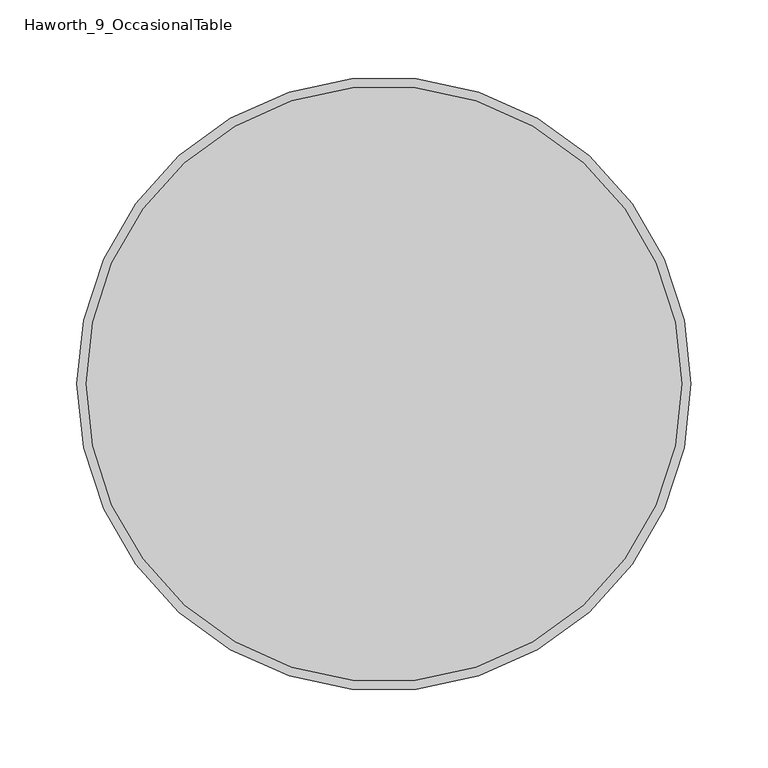
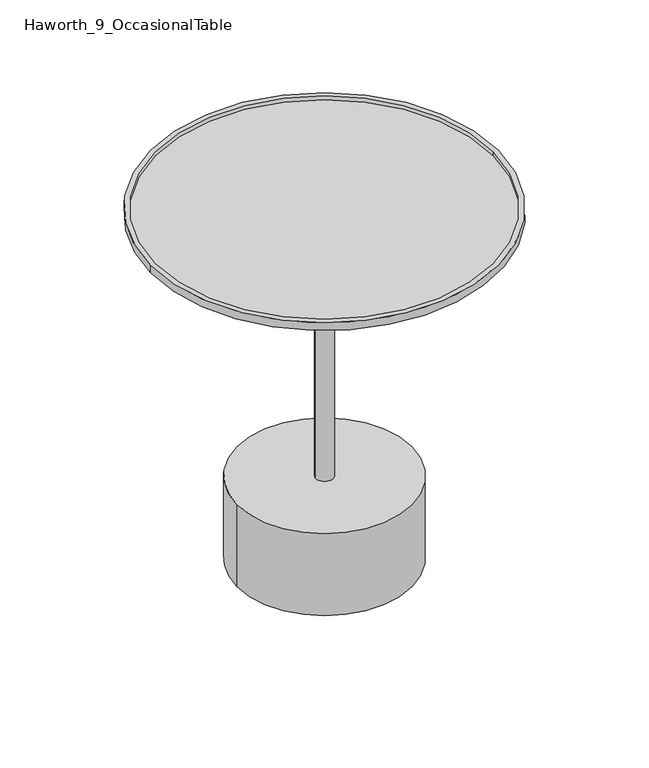
"""IFC4 building model written with IfcOpenShell, lengths in millimetres: furniture geometry, Haworth_9_OccasionalTable."""

from ifc_helpers import new_model, si_unit, point, frame, frame_2d, origin, origin_with_axes, place, context, project, spatial, polyline, circle_curve, ellipse_curve, trimmed, segment, composite_curve, outline, extrude, source, transform, mapped, element, save
from ifc_brep_helpers import plane_surface, cylinder_surface, revolved_surface, advanced_brep


def haworth_9_occasionaltable_6362c3d7(model_context):
    return source(origin(), model_context, "Body", "SolidModel", [
        advanced_brep(
        [(-311.4894208, -292.1, 407.4252728), (0.5988445, -292.1, 407.4252728), (43.9447118, -292.1, 418.1411912), (-354.8352882, -292.1, 418.1411912), (37.9917249, -292.1, 422.8110299), (-348.8823012, -292.1, 422.8110299), (-354.8352882, -292.1, 427.4441817), (43.9447118, -292.1, 427.4441817), (-348.8823012, -292.1, 427.4441817), (37.9917249, -292.1, 427.4441817)],
        [
            (0, 1, circle_curve(frame((-155.4452882, -292.1, 407.4252728), z_axis=(0.0, 0.0, -1.0), x_axis=(1.0, 0.0, 0.0)), 156.0441327)),
            (1, 0, circle_curve(frame((-155.4452882, -292.1, 407.4252728), z_axis=(0.0, 0.0, -1.0), x_axis=(-1.0, 0.0, 0.0)), 156.0441327)),
            (1, 2),
            (2, 3, circle_curve(frame((-155.4452882, -292.1, 418.1411912), z_axis=(0.0, 0.0, -1.0), x_axis=(-1.0, 0.0, 0.0)), 199.39)),
            (3, 0),
            (3, 2, circle_curve(frame((-155.4452882, -292.1, 418.1411912), z_axis=(0.0, 0.0, -1.0), x_axis=(1.0, 0.0, 0.0)), 199.39)),
            (4, 5, circle_curve(frame((-155.4452882, -292.1, 422.8110299), z_axis=(0.0, 0.0, 1.0), x_axis=(1.0, 0.0, 0.0)), 193.437013)),
            (5, 4, circle_curve(frame((-155.4452882, -292.1, 422.8110299), z_axis=(0.0, 0.0, 1.0), x_axis=(1.0, 0.0, 0.0)), 193.437013)),
            (6, 7, circle_curve(frame((-155.4452882, -292.1, 427.4441817), z_axis=(0.0, 0.0, 1.0), x_axis=(1.0, 0.0, 0.0)), 199.39)),
            (7, 6, circle_curve(frame((-155.4452882, -292.1, 427.4441817), z_axis=(0.0, 0.0, 1.0), x_axis=(1.0, 0.0, 0.0)), 199.39)),
            (8, 9, circle_curve(frame((-155.4452882, -292.1, 427.4441817), z_axis=(0.0, 0.0, -1.0), x_axis=(1.0, 0.0, 0.0)), 193.437013)),
            (9, 8, circle_curve(frame((-155.4452882, -292.1, 427.4441817), z_axis=(0.0, 0.0, -1.0), x_axis=(1.0, 0.0, 0.0)), 193.437013)),
            (6, 3),
            (2, 7),
            (8, 5),
            (4, 9),
        ],
        [
            plane_surface(frame((-155.4452882, -292.1, 407.4252728), z_axis=(0.0, 0.0, -1.0), x_axis=(0.0, -1.0, 0.0))),
            revolved_surface(polyline([(0.5988444146120457, -292.1, 407.4252728), (43.94471179999999, -292.1, 418.1411912)]), (-155.4452882, -292.1, 368.8482113), (0.0, 0.0, 1.0)),
            revolved_surface(polyline([(-311.489420814612, -292.1, 407.4252728), (-354.8352882, -292.1, 418.1411912)]), (-155.4452882, -292.1, 368.8482113), (0.0, 0.0, 1.0)),
            plane_surface(frame((37.9917249, -292.1, 422.8110299), z_axis=(0.0, 0.0, 1.0), x_axis=(0.0, 1.0, 0.0))),
            plane_surface(frame((43.9447118, -292.1, 427.4441817), z_axis=(0.0, 0.0, 1.0), x_axis=(0.0, 1.0, 0.0))),
            cylinder_surface(frame((-155.4452882, -292.1, 418.1411912), z_axis=(0.0, 0.0, 1.0), x_axis=(1.0, 0.0, 0.0)), 199.39),
            revolved_surface(polyline([(37.991724800000014, -292.1, 422.8110299), (37.991724800000014, -292.1, 427.4441817)]), (-155.4452882, -292.1, 0.0), (0.0, 0.0, -1.0)),
        ],
        [
            (0, [[1, 2]]),
            (1, [[-2, 3, 4, 5]]),
            (2, [[-1, -5, 6, -3]]),
            (3, [[7, 8]]),
            (4, [[9, 10], [11, 12]]),
            (5, [[-9, 13, -4, 14]]),
            (5, [[-10, -14, -6, -13]]),
            (6, [[-11, 15, -7, 16]]),
            (6, [[-12, -16, -8, -15]]),
        ],
    ),
        advanced_brep(
        [(-284.8188626, -292.1027186, 407.4252728), (-26.0717137, -292.1027186, 407.4252728), (-155.4452882, -292.1027186, 407.4252728), (-284.5696781, -292.1027186, 402.7091674), (-26.3208982, -292.1027186, 402.7091674), (-281.0894483, -292.1027186, 399.2065109), (-29.801128, -292.1027186, 399.2065109), (-165.4613858, -292.1027186, 392.3520286), (-145.4291905, -292.1027186, 392.3520286), (-155.4452882, -292.1027186, 392.3520286)],
        [
            (0, 1, circle_curve(frame((-155.4452882, -292.1027186, 407.4252728), z_axis=(0.0, 0.0, 1.0), x_axis=(1.0, 0.0, 0.0)), 129.3735745)),
            (1, 2),
            (2, 0),
            (1, 0, circle_curve(frame((-155.4452882, -292.1027186, 407.4252728), z_axis=(0.0, 0.0, 1.0), x_axis=(1.0, 0.0, 0.0)), 129.3735745)),
            (3, 4, circle_curve(frame((-155.4452882, -292.1027186, 402.7091674), z_axis=(0.0, 0.0, 1.0), x_axis=(1.0, 0.0, 0.0)), 129.12439)),
            (4, 1),
            (0, 3),
            (4, 3, circle_curve(frame((-155.4452882, -292.1027186, 402.7091674), z_axis=(0.0, 0.0, 1.0), x_axis=(1.0, 0.0, 0.0)), 129.12439)),
            (5, 6, circle_curve(frame((-155.4452882, -292.1027186, 399.2065109), z_axis=(0.0, 0.0, 1.0), x_axis=(1.0, 0.0, 0.0)), 125.6441602)),
            (6, 4, circle_curve(frame((-30.0203544, -292.1027186, 402.9046353), z_axis=(0.0, -1.0, 0.0), x_axis=(-1.0, 0.0, 0.0)), 3.7046166)),
            (3, 5, circle_curve(frame((-280.8702219, -292.1027186, 402.9046353), z_axis=(0.0, -1.0, 0.0), x_axis=(1.0, 0.0, 0.0)), 3.7046166)),
            (6, 5, circle_curve(frame((-155.4452882, -292.1027186, 399.2065109), z_axis=(0.0, 0.0, 1.0), x_axis=(1.0, 0.0, 0.0)), 125.6441602)),
            (7, 8, circle_curve(frame((-155.4452882, -292.1027186, 392.3520286), z_axis=(0.0, 0.0, 1.0), x_axis=(1.0, 0.0, 0.0)), 10.0160977)),
            (8, 6),
            (5, 7),
            (8, 7, circle_curve(frame((-155.4452882, -292.1027186, 392.3520286), z_axis=(0.0, 0.0, 1.0), x_axis=(1.0, 0.0, 0.0)), 10.0160977)),
            (9, 8),
            (7, 9),
        ],
        [
            plane_surface(frame((-155.4452882, -292.1027186, 407.4252728), z_axis=(0.0, 0.0, 1.0), x_axis=(1.0, 0.0, 0.0))),
            revolved_surface(polyline([(-26.0717137, -292.1027186, 407.4252728), (-26.3208982, -292.1027186, 402.7091674)]), (-155.4452882, -292.1027186, 407.4252728), (0.0, 0.0, -1.0)),
            revolved_surface(trimmed(ellipse_curve(frame((-30.0203544, -292.1027186, 402.9046353), z_axis=(0.0, 1.0, 0.0), x_axis=(-1.0, 0.0, 0.0)), 3.7046166, 3.7046166), [point((-26.3208982, -292.1027186, 402.7091674))], [point((-29.801128, -292.1027186, 399.2065109))], True, "CARTESIAN"), (-155.4452882, -292.1027186, 407.4252728), (0.0, 0.0, -1.0)),
            revolved_surface(polyline([(-29.801128, -292.1027186, 399.2065109), (-145.4291905, -292.1027186, 392.3520286)]), (-155.4452882, -292.1027186, 407.4252728), (0.0, 0.0, -1.0)),
            plane_surface(frame((-155.4452882, -292.1027186, 392.3520286), z_axis=(0.0, 0.0, -1.0), x_axis=(1.0, 0.0, 0.0))),
        ],
        [
            (0, [[1, 2, 3]]),
            (0, [[4, -3, -2]]),
            (1, [[5, 6, -1, 7]]),
            (1, [[8, -7, -4, -6]]),
            (2, [[9, 10, -5, 11]]),
            (2, [[12, -11, -8, -10]]),
            (3, [[13, 14, -9, 15]]),
            (3, [[16, -15, -12, -14]]),
            (4, [[17, -13, 18]]),
            (4, [[-18, -16, -17]]),
        ],
    ),
        extrude(outline(composite_curve([segment(trimmed(circle_curve(frame_2d((-155.4452882, -292.1)), 10.0160977), [point((-165.4613858, -292.1))], [point((-145.4291905, -292.1))], False, "CARTESIAN"), True, "CONTINUOUS"), segment(trimmed(circle_curve(frame_2d((-155.4452882, -292.1)), 10.0160977), [point((-145.4291905, -292.1))], [point((-165.4613858, -292.1))], False, "CARTESIAN"), True, "CONTINUOUS")], self_intersect=False)), frame((0.0, 0.0, 102.5745621), z_axis=(0.0, 0.0, 1.0), x_axis=(1.0, 0.0, 0.0)), (0.0, 0.0, 1.0), 289.7774665),
        extrude(outline(composite_curve([segment(trimmed(circle_curve(frame_2d((-155.4452882, -292.1)), 95.0996992), [point((-250.5449874, -292.1))], [point((-60.3455889, -292.1))], False, "CARTESIAN"), True, "CONTINUOUS"), segment(trimmed(circle_curve(frame_2d((-155.4452882, -292.1)), 95.0996992), [point((-60.3455889, -292.1))], [point((-250.5449874, -292.1))], False, "CARTESIAN"), True, "CONTINUOUS")], self_intersect=False)), origin_with_axes(), (0.0, 0.0, 1.0), 3.0065621),
        extrude(outline(composite_curve([segment(trimmed(circle_curve(frame_2d((-155.4452882, -292.1)), 100.2289836), [point((-255.6742718, -292.1))], [point((-55.2163045, -292.1))], False, "CARTESIAN"), True, "CONTINUOUS"), segment(trimmed(circle_curve(frame_2d((-155.4452882, -292.1)), 100.2289836), [point((-55.2163045, -292.1))], [point((-255.6742718, -292.1))], False, "CARTESIAN"), True, "CONTINUOUS")], self_intersect=False)), frame((0.0, 0.0, 3.0065621), z_axis=(0.0, 0.0, 1.0), x_axis=(1.0, 0.0, 0.0)), (0.0, 0.0, 1.0), 99.568),
    ])


if __name__ == "__main__":
    model = new_model("IFC4")
    model_context = context("Model", 3, world=origin())
    ifc_project = project(units=[si_unit("LENGTHUNIT", "METRE", prefix="MILLI")], contexts=[model_context])
    site = spatial("IfcSite", under=ifc_project)
    building = spatial("IfcBuilding", under=site)
    placement = place(None, origin())
    haworth_9_occasionaltable_shape = haworth_9_occasionaltable_6362c3d7(model_context)
    element("IfcFurniture", 1, ObjectType="Haworth_9_OccasionalTable", at=placement, inside=building, context=model_context, shape_type="MappedRepresentation", body=[
        mapped(haworth_9_occasionaltable_shape, transform((0.0, 0.0, 0.0), x_axis=(1.0, 0.0, 0.0), y_axis=(0.0, 1.0, 0.0), z_axis=(0.0, 0.0, 1.0))),
    ])
    save(model, "model.ifc")
